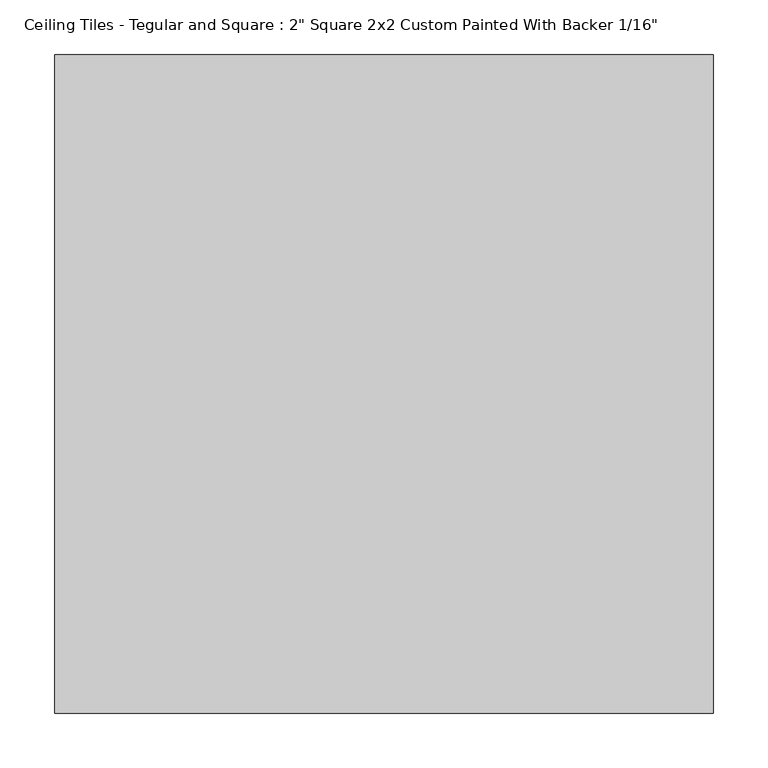
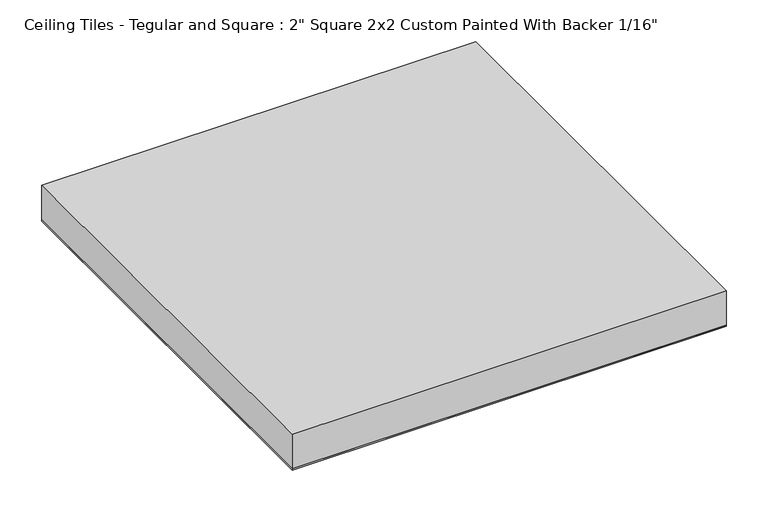
"""IFC4 building model written with IfcOpenShell, lengths in millimetres: proxy geometry."""

from ifc_helpers import new_model, si_unit, frame, origin, origin_with_axes, place, context, project, spatial, polyline, outline, extrude, source, transform, mapped, element, save


def proxy_04bedf2d(model_context):
    return source(origin(), model_context, "Body", "SweptSolid", [
        extrude(outline(polyline([(301.625, 301.625), (301.625, -301.625), (-301.625, -301.625), (-301.625, 301.625), (301.625, 301.625)])), origin_with_axes(), (0.0, 0.0, 1.0), 1.5875),
        extrude(outline(polyline([(-301.625, 301.625), (301.625, 301.625), (301.625, -301.625), (-301.625, -301.625), (-301.625, 301.625)])), frame((0.0, 0.0, 1.5875), z_axis=(0.0, 0.0, 1.0), x_axis=(1.0, 0.0, 0.0)), (0.0, 0.0, 1.0), 50.8),
    ])


if __name__ == "__main__":
    model = new_model("IFC4")
    model_context = context("Model", 3, world=origin())
    ifc_project = project(units=[si_unit("LENGTHUNIT", "METRE", prefix="MILLI")], contexts=[model_context])
    site = spatial("IfcSite", under=ifc_project)
    building = spatial("IfcBuilding", under=site)
    placement = place(None, origin())
    proxy_shape = proxy_04bedf2d(model_context)
    element("IfcBuildingElementProxy", 1, Name="Ceiling Tiles - Tegular and Square : 2\" Square 2x2 Custom Painted With Backer 1/16\"", ObjectType="Ceiling Tiles - Tegular and Square : 2\" Square 2x2 Custom Painted With Backer 1/16\"", at=placement, inside=building, context=model_context, shape_type="MappedRepresentation", body=[
        mapped(proxy_shape, transform((0.0, 0.0, 0.0), x_axis=(1.0, 0.0, 0.0), y_axis=(0.0, 1.0, 0.0), z_axis=(0.0, 0.0, 1.0))),
    ])
    save(model, "model.ifc")
